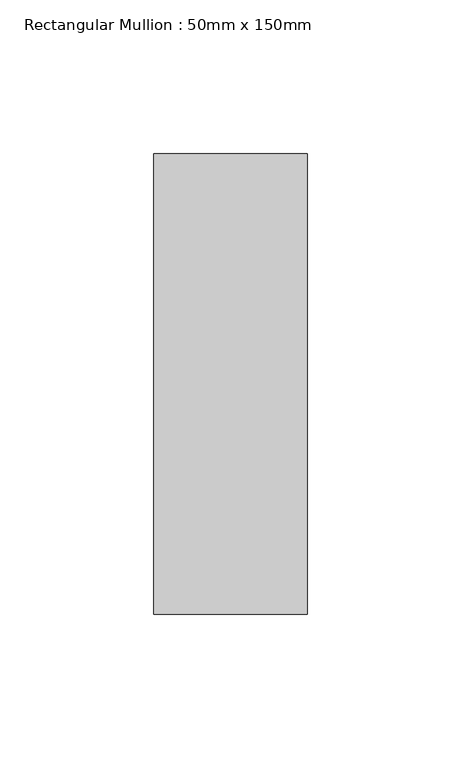
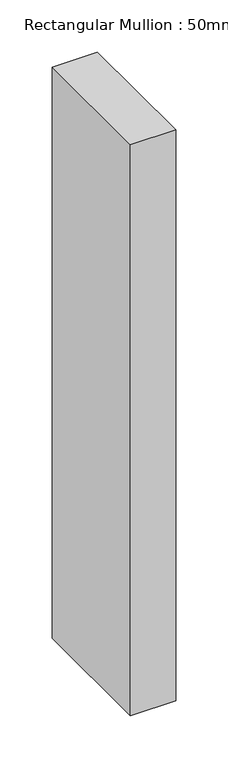
"""IFC4 building model written with IfcOpenShell, lengths in millimetres: member geometry, Rectangular Mullion : 50mm x 150mm."""

import ifcopenshell
import ifcopenshell.guid

model = None  # the IFC model being written
_history = None  # IfcOwnerHistory: only IFC2X3 demands one
_inside = {}  # id of a spatial element -> (the spatial element, [elements in it])
_under = {}  # id of a project, library or spatial element -> (it, [spatial elements below it])
_declared = {}  # id of a project -> (the project, [libraries it declares])
_typed = {}  # id of a type object -> (the type object, [elements of that type])
_made_of = {}  # id of a material, layer set ... -> (it, [elements and type objects made of it])


def new_model(schema):
    """Start an empty IFC model of exactly this schema.

    Asked for "IFC4X3", IfcOpenShell would pick the latest addendum, in which some entities
    have other attributes; the version numbers below select the first issue.
    IFC2X3 requires an IfcOwnerHistory on every rooted entity: one is made here for all.
    """
    global model, _history
    if schema == "IFC4X3":
        model = ifcopenshell.file(schema_version=(4, 3, 0, 0))
    else:
        model = ifcopenshell.file(schema=schema)
    _inside.clear()
    _under.clear()
    _declared.clear()
    _typed.clear()
    _made_of.clear()
    _history = None
    if model.schema == "IFC2X3":
        org = make("IfcOrganization", Name="unknown")
        user = make(
            "IfcPersonAndOrganization",
            ThePerson=make("IfcPerson", FamilyName="unknown"),
            TheOrganization=org,
        )
        app = make(
            "IfcApplication",
            ApplicationDeveloper=org,
            Version="unknown",
            ApplicationFullName="unknown",
            ApplicationIdentifier="unknown",
        )
        _history = make(
            "IfcOwnerHistory",
            OwningUser=user,
            OwningApplication=app,
            ChangeAction="ADDED",
            CreationDate=0,
        )
    return model


def make(cls, **values):
    """One entity of the class cls with the attributes given. An attribute that is None is left unset."""
    return model.create_entity(
        cls, **{name: value for name, value in values.items() if value is not None}
    )


def rooted(cls, **values):
    """An entity with a GlobalId (a new one), such as an element, a storey or a relation."""
    return make(cls, GlobalId=ifcopenshell.guid.new(), OwnerHistory=_history, **values)


def si_unit(unit_type, name, prefix=None):
    """IfcSIUnit, for example si_unit("LENGTHUNIT", "METRE", prefix="MILLI")."""
    return make("IfcSIUnit", UnitType=unit_type, Prefix=prefix, Name=name)


def assignment(units):
    """IfcUnitAssignment: the units of a project."""
    return None if units is None else make("IfcUnitAssignment", Units=units)


def point(xyz):
    """IfcCartesianPoint."""
    return None if xyz is None else make("IfcCartesianPoint", Coordinates=xyz)


def direction(xyz):
    """IfcDirection."""
    return None if xyz is None else make("IfcDirection", DirectionRatios=xyz)


def frame(location, z_axis=None, x_axis=None):
    """IfcAxis2Placement3D, a coordinate frame: its origin and axes. An axis left out is left unset."""
    return make(
        "IfcAxis2Placement3D",
        Location=point(location),
        Axis=direction(z_axis),
        RefDirection=direction(x_axis),
    )


def origin():
    """The frame at (0, 0, 0) with its axes left unset."""
    return frame((0.0, 0.0, 0.0))


def place(relative_to, where):
    """IfcLocalPlacement: puts the frame where relative to a parent placement (None: the world)."""
    return make(
        "IfcLocalPlacement", PlacementRelTo=relative_to, RelativePlacement=where
    )


def context(
    kind, dimensions, precision=None, world=None, true_north=None, identifier=None
):
    """IfcGeometricRepresentationContext, for example the 3D "Model" context."""
    return make(
        "IfcGeometricRepresentationContext",
        ContextIdentifier=identifier,
        ContextType=kind,
        CoordinateSpaceDimension=dimensions,
        Precision=precision,
        WorldCoordinateSystem=world,
        TrueNorth=true_north,
    )


def project(units=None, contexts=None):
    """IfcProject with its units and contexts."""
    return rooted(
        "IfcProject",
        Name="project",
        RepresentationContexts=contexts,
        UnitsInContext=assignment(units),
    )


def spatial(cls, under=None, at=None, **own):
    """A site, building, storey or space (cls), placed at a placement, below another one or the project."""
    s = rooted(cls, ObjectPlacement=at, **own)
    if under is not None:
        _under.setdefault(under.id(), (under, []))[1].append(s)
    return s


def polyline(points):
    """IfcPolyline through the points."""
    return make("IfcPolyline", Points=[point(p) for p in points])


def outline(outer, holes=None, kind="AREA"):
    """IfcArbitraryClosedProfileDef: a profile drawn as a closed curve; with holes, ...WithVoids."""
    if holes is None:
        return make("IfcArbitraryClosedProfileDef", ProfileType=kind, OuterCurve=outer)
    return make(
        "IfcArbitraryProfileDefWithVoids",
        ProfileType=kind,
        OuterCurve=outer,
        InnerCurves=holes,
    )


def extrude(swept, where, along, depth):
    """IfcExtrudedAreaSolid: the profile swept, set in the frame where, extruded along a direction by depth."""
    return make(
        "IfcExtrudedAreaSolid",
        SweptArea=swept,
        Position=where,
        ExtrudedDirection=direction(along),
        Depth=depth,
    )


def shape(context_of_items, identifier, shape_type, items):
    """IfcShapeRepresentation: the items that make up one representation, for example the "Body"."""
    return make(
        "IfcShapeRepresentation",
        ContextOfItems=context_of_items,
        RepresentationIdentifier=identifier,
        RepresentationType=shape_type,
        Items=items,
    )


def source(mapping_origin, context_of_items, identifier, shape_type, items):
    """IfcRepresentationMap: a shape defined once, which mapped items show again and again."""
    return make(
        "IfcRepresentationMap",
        MappingOrigin=mapping_origin,
        MappedRepresentation=shape(context_of_items, identifier, shape_type, items),
    )


def transform(
    local_origin,
    x_axis=None,
    y_axis=None,
    z_axis=None,
    scale=None,
    scale2=None,
    scale3=None,
    uniform=True,
):
    """IfcCartesianTransformationOperator3D, or its non-uniform kind. x_axis, y_axis, z_axis: its Axis1, 2, 3."""
    if uniform:
        return make(
            "IfcCartesianTransformationOperator3D",
            Axis1=direction(x_axis),
            Axis2=direction(y_axis),
            LocalOrigin=point(local_origin),
            Scale=scale,
            Axis3=direction(z_axis),
        )
    return make(
        "IfcCartesianTransformationOperator3DnonUniform",
        Axis1=direction(x_axis),
        Axis2=direction(y_axis),
        LocalOrigin=point(local_origin),
        Scale=scale,
        Axis3=direction(z_axis),
        Scale2=scale2,
        Scale3=scale3,
    )


def mapped(mapping_source, mapping_target):
    """IfcMappedItem: shows the shape of a source again, moved by a transform."""
    return make(
        "IfcMappedItem", MappingSource=mapping_source, MappingTarget=mapping_target
    )


def made_of(thing, what):
    """Note that an element or type object is made of a material, layer set ...; save() writes the relation."""
    if what is not None:
        _made_of.setdefault(what.id(), (what, []))[1].append(thing)
    return thing


def element(
    cls,
    number,
    at=None,
    inside=None,
    cuts=None,
    type_object=None,
    material=None,
    context=None,
    identifier="Body",
    shape_type=None,
    held_by="IfcProductDefinitionShape",
    body=None,
    shapes=None,
    **own,
):
    """One element of the class cls, such as IfcWall. Its Tag is "e" and its number.

    at: its placement. inside: the storey or other place that contains it. cuts: it is an
    opening in that element (IfcRelVoidsElement). A single representation is given by context,
    identifier, shape_type and body (its items); several are given by shapes. held_by: the class
    of the entity that holds the representations. save() writes the other relations.
    """
    e = rooted(cls, Tag="e%d" % number, ObjectPlacement=at, **own)
    if body is not None:
        shapes = [shape(context, identifier, shape_type, body)]
    if shapes is not None:
        e.Representation = make(held_by, Representations=shapes)
    if inside is not None:
        _inside.setdefault(inside.id(), (inside, []))[1].append(e)
    if cuts is not None:
        rooted(
            "IfcRelVoidsElement", RelatingBuildingElement=cuts, RelatedOpeningElement=e
        )
    if type_object is not None:
        _typed.setdefault(type_object.id(), (type_object, []))[1].append(e)
    return made_of(e, material)


def aggregate(whole, parts):
    """IfcRelAggregates: a whole, such as a stair, and the parts it consists of."""
    return rooted("IfcRelAggregates", RelatingObject=whole, RelatedObjects=parts)


def save(model, path):
    """Write the relations noted so far, then the file.

    IfcRelAggregates (storeys below a building ...), IfcRelContainedInSpatialStructure (elements
    in a storey), IfcRelDefinesByType, IfcRelAssociatesMaterial and IfcRelDeclares: one each for
    every whole, place, type object, material and project.
    """
    for whole, parts in _under.values():
        aggregate(whole, parts)
    for where, things in _inside.values():
        rooted(
            "IfcRelContainedInSpatialStructure",
            RelatedElements=things,
            RelatingStructure=where,
        )
    for kind, things in _typed.values():
        rooted("IfcRelDefinesByType", RelatedObjects=things, RelatingType=kind)
    for what, things in _made_of.values():
        rooted("IfcRelAssociatesMaterial", RelatedObjects=things, RelatingMaterial=what)
    for by, libraries in _declared.values():
        rooted("IfcRelDeclares", RelatingContext=by, RelatedDefinitions=libraries)
    model.write(path)


def rectangular_mullion_50mm_x_150mm_81f427b6(model_context):
    return source(origin(), model_context, "Body", "SweptSolid", [
        extrude(outline(polyline([(0.0, 75.0), (0.0, -75.0), (-50.0, -75.0), (-50.0, 75.0), (0.0, 75.0)])), frame((0.0, 0.0, -667.5), z_axis=(0.0, 0.0, 1.0), x_axis=(1.0, 0.0, 0.0)), (0.0, 0.0, 1.0), 667.5),
    ])


if __name__ == "__main__":
    model = new_model("IFC4")
    model_context = context("Model", 3, world=origin())
    ifc_project = project(units=[si_unit("LENGTHUNIT", "METRE", prefix="MILLI")], contexts=[model_context])
    site = spatial("IfcSite", under=ifc_project)
    building = spatial("IfcBuilding", under=site)
    placement = place(None, origin())
    rectangular_mullion_50mm_x_150mm_shape = rectangular_mullion_50mm_x_150mm_81f427b6(model_context)
    element("IfcMember", 1, ObjectType="Rectangular Mullion : 50mm x 150mm", at=placement, inside=building, context=model_context, shape_type="MappedRepresentation", body=[
        mapped(rectangular_mullion_50mm_x_150mm_shape, transform((0.0, 0.0, 0.0), x_axis=(1.0, 0.0, 0.0), y_axis=(0.0, 1.0, 0.0), z_axis=(0.0, 0.0, 1.0))),
    ])
    save(model, "model.ifc")
